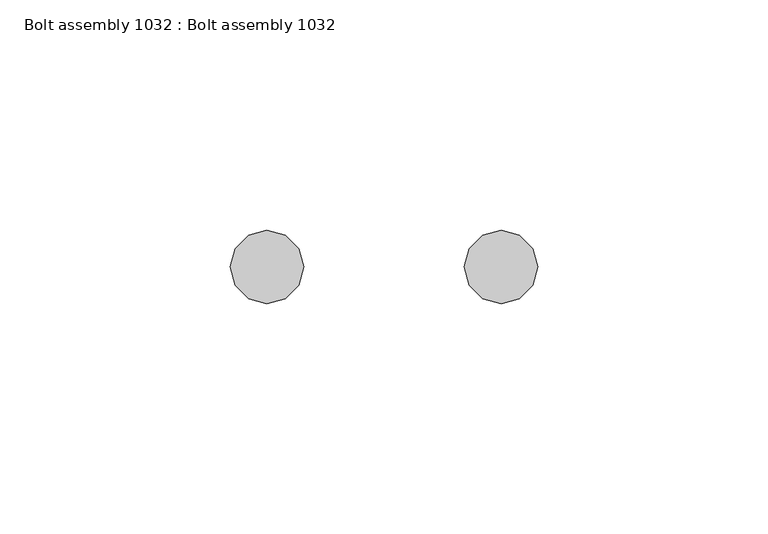
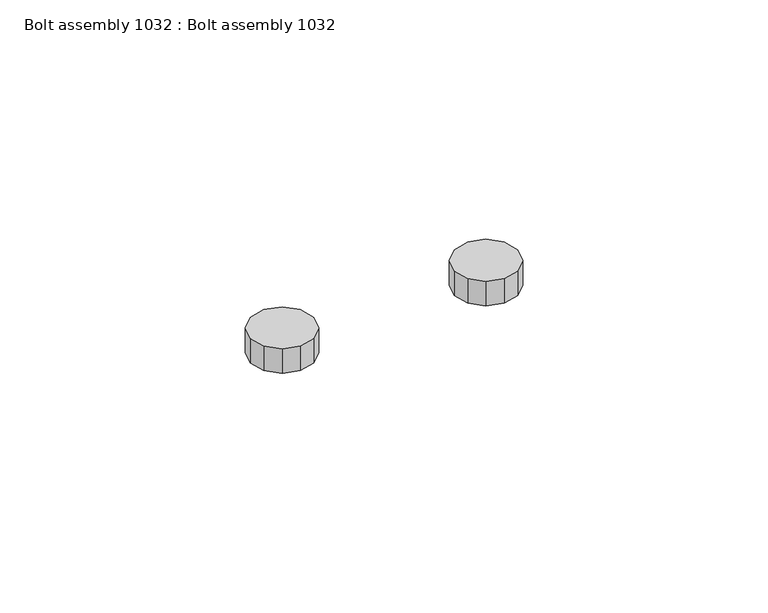
"""IFC4 building model written with IfcOpenShell, lengths in millimetres: proxy geometry, Bolt assembly 1032 : Bolt assembly 1032."""

from ifc_helpers import new_model, si_unit, frame, origin, place, context, project, spatial, polyline, outline, extrude, source, transform, mapped, element, save


def bolt_assembly_1032_bolt_assembly_1032_e26d3d38(model_context):
    return source(origin(), model_context, "Body", "SweptSolid", [
        extrude(outline(polyline([(1018.1137395, 2545.7534306), (1015.2074977, 2542.8471889), (1011.2374977, 2541.7834306), (1007.2674977, 2542.8471889), (1004.361256, 2545.7534306), (1003.2974977, 2549.7234306), (1004.361256, 2553.6934307), (1007.2674977, 2556.5996724), (1011.2374977, 2557.6634307), (1015.2074977, 2556.5996724), (1018.1137395, 2553.6934307), (1019.1774978, 2549.7234306), (1018.1137395, 2545.7534306)])), frame((0.0, 0.0, -26.9875), z_axis=(0.0, 0.0, 1.0), x_axis=(1.0, 0.0, 0.0)), (0.0, 0.0, 1.0), 6.45),
        extrude(outline(polyline([(967.3137426, 2545.7534306), (964.4075009, 2542.8471889), (960.4375009, 2541.7834306), (956.4675008, 2542.8471889), (953.5612591, 2545.7534306), (952.4975008, 2549.7234306), (953.5612591, 2553.6934307), (956.4675008, 2556.5996724), (960.4375009, 2557.6634307), (964.4075009, 2556.5996724), (967.3137426, 2553.6934307), (968.3775009, 2549.7234306), (967.3137426, 2545.7534306)])), frame((0.0, 0.0, -26.9875), z_axis=(0.0, 0.0, 1.0), x_axis=(1.0, 0.0, 0.0)), (0.0, 0.0, 1.0), 6.45),
    ])


if __name__ == "__main__":
    model = new_model("IFC4")
    model_context = context("Model", 3, world=origin())
    ifc_project = project(units=[si_unit("LENGTHUNIT", "METRE", prefix="MILLI")], contexts=[model_context])
    site = spatial("IfcSite", under=ifc_project)
    building = spatial("IfcBuilding", under=site)
    placement = place(None, origin())
    bolt_assembly_1032_bolt_assembly_1032_shape = bolt_assembly_1032_bolt_assembly_1032_e26d3d38(model_context)
    element("IfcBuildingElementProxy", 1, Name="Bolt assembly 1032 : Bolt assembly 1032", ObjectType="Bolt assembly 1032 : Bolt assembly 1032", at=placement, inside=building, context=model_context, shape_type="MappedRepresentation", body=[
        mapped(bolt_assembly_1032_bolt_assembly_1032_shape, transform((0.0, 0.0, 0.0), x_axis=(1.0, 0.0, 0.0), y_axis=(0.0, 1.0, 0.0), z_axis=(0.0, 0.0, 1.0))),
    ])
    save(model, "model.ifc")
